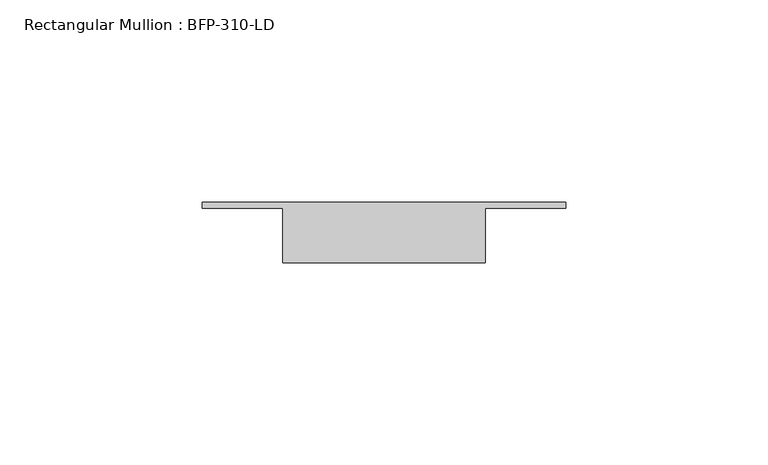
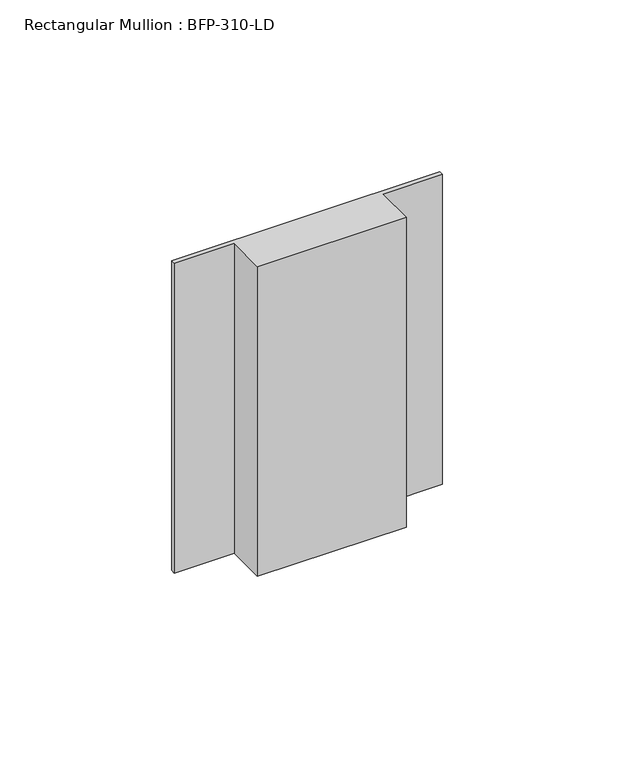
"""IFC4 building model written with IfcOpenShell, lengths in millimetres: member geometry, Rectangular Mullion : BFP-310-LD."""

from ifc_helpers import new_model, si_unit, frame, origin, place, context, project, spatial, polyline, outline, extrude, source, transform, mapped, element, save


def rectangular_mullion_bfp_310_ld_103659e1(model_context):
    return source(origin(), model_context, "Body", "SweptSolid", [
        extrude(outline(polyline([(-20.0, -17.0), (-70.0, -17.0), (-70.0, -3.5), (-90.0, -3.5), (-90.0, -2.0), (0.0, -2.0), (0.0, -3.5), (-20.0, -3.5), (-20.0, -17.0)])), frame((0.0, 0.0, -110.0), z_axis=(0.0, 0.0, 1.0), x_axis=(1.0, 0.0, 0.0)), (0.0, 0.0, 1.0), 110.0),
    ])


if __name__ == "__main__":
    model = new_model("IFC4")
    model_context = context("Model", 3, world=origin())
    ifc_project = project(units=[si_unit("LENGTHUNIT", "METRE", prefix="MILLI")], contexts=[model_context])
    site = spatial("IfcSite", under=ifc_project)
    building = spatial("IfcBuilding", under=site)
    placement = place(None, origin())
    rectangular_mullion_bfp_310_ld_shape = rectangular_mullion_bfp_310_ld_103659e1(model_context)
    element("IfcMember", 1, ObjectType="Rectangular Mullion : BFP-310-LD", at=placement, inside=building, context=model_context, shape_type="MappedRepresentation", body=[
        mapped(rectangular_mullion_bfp_310_ld_shape, transform((0.0, 0.0, 0.0), x_axis=(1.0, 0.0, 0.0), y_axis=(0.0, 1.0, 0.0), z_axis=(0.0, 0.0, 1.0))),
    ])
    save(model, "model.ifc")
